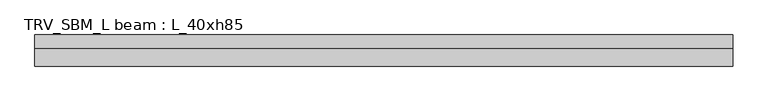
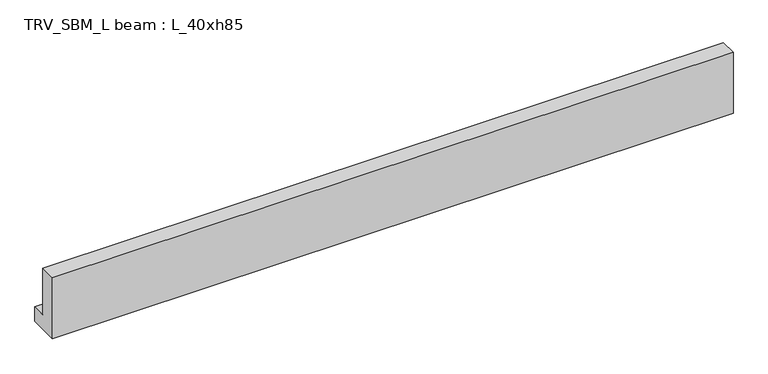
"""IFC4 building model written with IfcOpenShell, lengths in millimetres: beam geometry, TRV_SBM_L beam : L_40xh85."""

import ifcopenshell
import ifcopenshell.guid

model = None  # the IFC model being written
_history = None  # IfcOwnerHistory: only IFC2X3 demands one
_inside = {}  # id of a spatial element -> (the spatial element, [elements in it])
_under = {}  # id of a project, library or spatial element -> (it, [spatial elements below it])
_declared = {}  # id of a project -> (the project, [libraries it declares])
_typed = {}  # id of a type object -> (the type object, [elements of that type])
_made_of = {}  # id of a material, layer set ... -> (it, [elements and type objects made of it])


def new_model(schema):
    """Start an empty IFC model of exactly this schema.

    Asked for "IFC4X3", IfcOpenShell would pick the latest addendum, in which some entities
    have other attributes; the version numbers below select the first issue.
    IFC2X3 requires an IfcOwnerHistory on every rooted entity: one is made here for all.
    """
    global model, _history
    if schema == "IFC4X3":
        model = ifcopenshell.file(schema_version=(4, 3, 0, 0))
    else:
        model = ifcopenshell.file(schema=schema)
    _inside.clear()
    _under.clear()
    _declared.clear()
    _typed.clear()
    _made_of.clear()
    _history = None
    if model.schema == "IFC2X3":
        org = make("IfcOrganization", Name="unknown")
        user = make(
            "IfcPersonAndOrganization",
            ThePerson=make("IfcPerson", FamilyName="unknown"),
            TheOrganization=org,
        )
        app = make(
            "IfcApplication",
            ApplicationDeveloper=org,
            Version="unknown",
            ApplicationFullName="unknown",
            ApplicationIdentifier="unknown",
        )
        _history = make(
            "IfcOwnerHistory",
            OwningUser=user,
            OwningApplication=app,
            ChangeAction="ADDED",
            CreationDate=0,
        )
    return model


def make(cls, **values):
    """One entity of the class cls with the attributes given. An attribute that is None is left unset."""
    return model.create_entity(
        cls, **{name: value for name, value in values.items() if value is not None}
    )


def rooted(cls, **values):
    """An entity with a GlobalId (a new one), such as an element, a storey or a relation."""
    return make(cls, GlobalId=ifcopenshell.guid.new(), OwnerHistory=_history, **values)


def si_unit(unit_type, name, prefix=None):
    """IfcSIUnit, for example si_unit("LENGTHUNIT", "METRE", prefix="MILLI")."""
    return make("IfcSIUnit", UnitType=unit_type, Prefix=prefix, Name=name)


def assignment(units):
    """IfcUnitAssignment: the units of a project."""
    return None if units is None else make("IfcUnitAssignment", Units=units)


def point(xyz):
    """IfcCartesianPoint."""
    return None if xyz is None else make("IfcCartesianPoint", Coordinates=xyz)


def direction(xyz):
    """IfcDirection."""
    return None if xyz is None else make("IfcDirection", DirectionRatios=xyz)


def frame(location, z_axis=None, x_axis=None):
    """IfcAxis2Placement3D, a coordinate frame: its origin and axes. An axis left out is left unset."""
    return make(
        "IfcAxis2Placement3D",
        Location=point(location),
        Axis=direction(z_axis),
        RefDirection=direction(x_axis),
    )


def origin():
    """The frame at (0, 0, 0) with its axes left unset."""
    return frame((0.0, 0.0, 0.0))


def place(relative_to, where):
    """IfcLocalPlacement: puts the frame where relative to a parent placement (None: the world)."""
    return make(
        "IfcLocalPlacement", PlacementRelTo=relative_to, RelativePlacement=where
    )


def context(
    kind, dimensions, precision=None, world=None, true_north=None, identifier=None
):
    """IfcGeometricRepresentationContext, for example the 3D "Model" context."""
    return make(
        "IfcGeometricRepresentationContext",
        ContextIdentifier=identifier,
        ContextType=kind,
        CoordinateSpaceDimension=dimensions,
        Precision=precision,
        WorldCoordinateSystem=world,
        TrueNorth=true_north,
    )


def project(units=None, contexts=None):
    """IfcProject with its units and contexts."""
    return rooted(
        "IfcProject",
        Name="project",
        RepresentationContexts=contexts,
        UnitsInContext=assignment(units),
    )


def spatial(cls, under=None, at=None, **own):
    """A site, building, storey or space (cls), placed at a placement, below another one or the project."""
    s = rooted(cls, ObjectPlacement=at, **own)
    if under is not None:
        _under.setdefault(under.id(), (under, []))[1].append(s)
    return s


def polyline(points):
    """IfcPolyline through the points."""
    return make("IfcPolyline", Points=[point(p) for p in points])


def outline(outer, holes=None, kind="AREA"):
    """IfcArbitraryClosedProfileDef: a profile drawn as a closed curve; with holes, ...WithVoids."""
    if holes is None:
        return make("IfcArbitraryClosedProfileDef", ProfileType=kind, OuterCurve=outer)
    return make(
        "IfcArbitraryProfileDefWithVoids",
        ProfileType=kind,
        OuterCurve=outer,
        InnerCurves=holes,
    )


def extrude(swept, where, along, depth):
    """IfcExtrudedAreaSolid: the profile swept, set in the frame where, extruded along a direction by depth."""
    return make(
        "IfcExtrudedAreaSolid",
        SweptArea=swept,
        Position=where,
        ExtrudedDirection=direction(along),
        Depth=depth,
    )


def shape(context_of_items, identifier, shape_type, items):
    """IfcShapeRepresentation: the items that make up one representation, for example the "Body"."""
    return make(
        "IfcShapeRepresentation",
        ContextOfItems=context_of_items,
        RepresentationIdentifier=identifier,
        RepresentationType=shape_type,
        Items=items,
    )


def source(mapping_origin, context_of_items, identifier, shape_type, items):
    """IfcRepresentationMap: a shape defined once, which mapped items show again and again."""
    return make(
        "IfcRepresentationMap",
        MappingOrigin=mapping_origin,
        MappedRepresentation=shape(context_of_items, identifier, shape_type, items),
    )


def transform(
    local_origin,
    x_axis=None,
    y_axis=None,
    z_axis=None,
    scale=None,
    scale2=None,
    scale3=None,
    uniform=True,
):
    """IfcCartesianTransformationOperator3D, or its non-uniform kind. x_axis, y_axis, z_axis: its Axis1, 2, 3."""
    if uniform:
        return make(
            "IfcCartesianTransformationOperator3D",
            Axis1=direction(x_axis),
            Axis2=direction(y_axis),
            LocalOrigin=point(local_origin),
            Scale=scale,
            Axis3=direction(z_axis),
        )
    return make(
        "IfcCartesianTransformationOperator3DnonUniform",
        Axis1=direction(x_axis),
        Axis2=direction(y_axis),
        LocalOrigin=point(local_origin),
        Scale=scale,
        Axis3=direction(z_axis),
        Scale2=scale2,
        Scale3=scale3,
    )


def mapped(mapping_source, mapping_target):
    """IfcMappedItem: shows the shape of a source again, moved by a transform."""
    return make(
        "IfcMappedItem", MappingSource=mapping_source, MappingTarget=mapping_target
    )


def made_of(thing, what):
    """Note that an element or type object is made of a material, layer set ...; save() writes the relation."""
    if what is not None:
        _made_of.setdefault(what.id(), (what, []))[1].append(thing)
    return thing


def element(
    cls,
    number,
    at=None,
    inside=None,
    cuts=None,
    type_object=None,
    material=None,
    context=None,
    identifier="Body",
    shape_type=None,
    held_by="IfcProductDefinitionShape",
    body=None,
    shapes=None,
    **own,
):
    """One element of the class cls, such as IfcWall. Its Tag is "e" and its number.

    at: its placement. inside: the storey or other place that contains it. cuts: it is an
    opening in that element (IfcRelVoidsElement). A single representation is given by context,
    identifier, shape_type and body (its items); several are given by shapes. held_by: the class
    of the entity that holds the representations. save() writes the other relations.
    """
    e = rooted(cls, Tag="e%d" % number, ObjectPlacement=at, **own)
    if body is not None:
        shapes = [shape(context, identifier, shape_type, body)]
    if shapes is not None:
        e.Representation = make(held_by, Representations=shapes)
    if inside is not None:
        _inside.setdefault(inside.id(), (inside, []))[1].append(e)
    if cuts is not None:
        rooted(
            "IfcRelVoidsElement", RelatingBuildingElement=cuts, RelatedOpeningElement=e
        )
    if type_object is not None:
        _typed.setdefault(type_object.id(), (type_object, []))[1].append(e)
    return made_of(e, material)


def aggregate(whole, parts):
    """IfcRelAggregates: a whole, such as a stair, and the parts it consists of."""
    return rooted("IfcRelAggregates", RelatingObject=whole, RelatedObjects=parts)


def save(model, path):
    """Write the relations noted so far, then the file.

    IfcRelAggregates (storeys below a building ...), IfcRelContainedInSpatialStructure (elements
    in a storey), IfcRelDefinesByType, IfcRelAssociatesMaterial and IfcRelDeclares: one each for
    every whole, place, type object, material and project.
    """
    for whole, parts in _under.values():
        aggregate(whole, parts)
    for where, things in _inside.values():
        rooted(
            "IfcRelContainedInSpatialStructure",
            RelatedElements=things,
            RelatingStructure=where,
        )
    for kind, things in _typed.values():
        rooted("IfcRelDefinesByType", RelatedObjects=things, RelatingType=kind)
    for what, things in _made_of.values():
        rooted("IfcRelAssociatesMaterial", RelatedObjects=things, RelatingMaterial=what)
    for by, libraries in _declared.values():
        rooted("IfcRelDeclares", RelatingContext=by, RelatedDefinitions=libraries)
    model.write(path)


def trv_sbm_l_beam_l_40xh85_8c4e63dc(model_context):
    return source(origin(), model_context, "Body", "SweptSolid", [
        extrude(outline(polyline([(-115.0, -100.0), (-115.0, 750.0), (105.0, 750.0), (105.0, 100.0), (285.0, 100.0), (285.0, -100.0), (-115.0, -100.0)])), frame((-4489.0, 0.0, 0.0), z_axis=(1.0, 0.0, 0.0), x_axis=(0.0, 1.0, 0.0)), (0.0, 0.0, 1.0), 8978.0),
    ])


if __name__ == "__main__":
    model = new_model("IFC4")
    model_context = context("Model", 3, world=origin())
    ifc_project = project(units=[si_unit("LENGTHUNIT", "METRE", prefix="MILLI")], contexts=[model_context])
    site = spatial("IfcSite", under=ifc_project)
    building = spatial("IfcBuilding", under=site)
    placement = place(None, origin())
    trv_sbm_l_beam_l_40xh85_shape = trv_sbm_l_beam_l_40xh85_8c4e63dc(model_context)
    element("IfcBeam", 1, ObjectType="TRV_SBM_L beam : L_40xh85", at=placement, inside=building, context=model_context, shape_type="MappedRepresentation", body=[
        mapped(trv_sbm_l_beam_l_40xh85_shape, transform((0.0, 0.0, 0.0), x_axis=(1.0, 0.0, 0.0), y_axis=(0.0, 1.0, 0.0), z_axis=(0.0, 0.0, 1.0))),
    ])
    save(model, "model.ifc")
